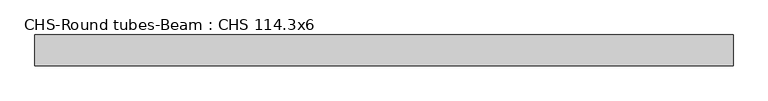
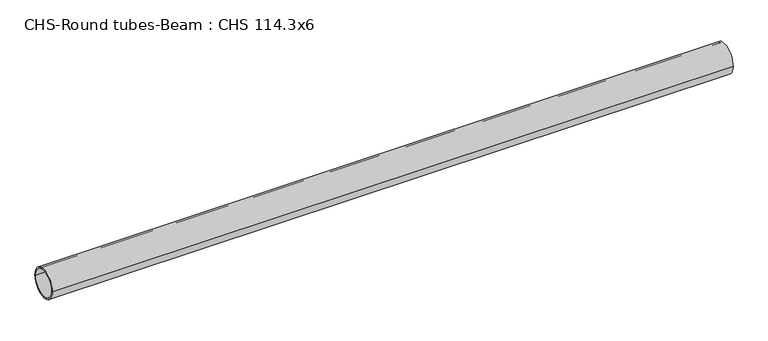
"""IFC4 building model written with IfcOpenShell, lengths in millimetres: beam geometry, CHS-Round tubes-Beam : CHS 114.3x6."""

from ifc_helpers import new_model, si_unit, point, frame, origin, origin_2d, place, context, project, spatial, circle_curve, trimmed, segment, composite_curve, outline, extrude, source, transform, mapped, element, save


def chs_round_tubes_beam_chs_114_3x6_8155013e(model_context):
    return source(origin(), model_context, "Body", "SweptSolid", [
        extrude(outline(composite_curve([segment(trimmed(circle_curve(origin_2d(), 57.15), [point((57.15, 0.0))], [point((-57.15, 0.0))], False, "CARTESIAN"), True, "CONTINUOUS"), segment(trimmed(circle_curve(origin_2d(), 57.15), [point((-57.15, 0.0))], [point((57.15, 0.0))], False, "CARTESIAN"), True, "CONTINUOUS")], self_intersect=False), holes=[composite_curve([segment(trimmed(circle_curve(origin_2d(), 51.15), [point((51.15, 0.0))], [point((-51.15, 0.0))], True, "CARTESIAN"), True, "CONTINUOUS"), segment(trimmed(circle_curve(origin_2d(), 51.15), [point((-51.15, 0.0))], [point((51.15, 0.0))], True, "CARTESIAN"), True, "CONTINUOUS")], self_intersect=False)]), frame((-1273.8649324, 0.0, 0.0), z_axis=(1.0, 0.0, 0.0), x_axis=(0.0, 1.0, 0.0)), (0.0, 0.0, 1.0), 2597.6216361),
    ])


if __name__ == "__main__":
    model = new_model("IFC4")
    model_context = context("Model", 3, world=origin())
    ifc_project = project(units=[si_unit("LENGTHUNIT", "METRE", prefix="MILLI")], contexts=[model_context])
    site = spatial("IfcSite", under=ifc_project)
    building = spatial("IfcBuilding", under=site)
    placement = place(None, origin())
    chs_round_tubes_beam_chs_114_3x6_shape = chs_round_tubes_beam_chs_114_3x6_8155013e(model_context)
    element("IfcBeam", 1, ObjectType="CHS-Round tubes-Beam : CHS 114.3x6", at=placement, inside=building, context=model_context, shape_type="MappedRepresentation", body=[
        mapped(chs_round_tubes_beam_chs_114_3x6_shape, transform((0.0, 0.0, 0.0), x_axis=(1.0, 0.0, 0.0), y_axis=(0.0, 1.0, 0.0), z_axis=(0.0, 0.0, 1.0))),
    ])
    save(model, "model.ifc")
